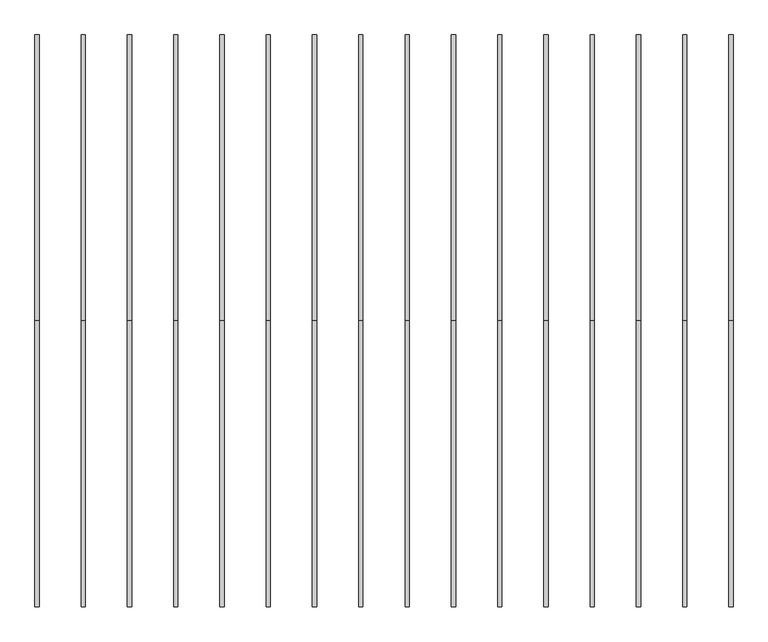
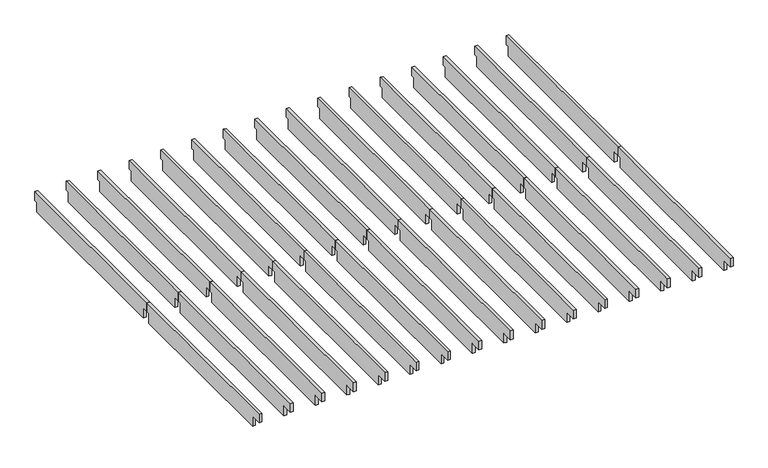
"""IFC4 building model written with IfcOpenShell, lengths in millimetres: furniture geometry."""

import ifcopenshell
import ifcopenshell.guid

model = None  # the IFC model being written
_history = None  # IfcOwnerHistory: only IFC2X3 demands one
_inside = {}  # id of a spatial element -> (the spatial element, [elements in it])
_under = {}  # id of a project, library or spatial element -> (it, [spatial elements below it])
_declared = {}  # id of a project -> (the project, [libraries it declares])
_typed = {}  # id of a type object -> (the type object, [elements of that type])
_made_of = {}  # id of a material, layer set ... -> (it, [elements and type objects made of it])


def new_model(schema):
    """Start an empty IFC model of exactly this schema.

    Asked for "IFC4X3", IfcOpenShell would pick the latest addendum, in which some entities
    have other attributes; the version numbers below select the first issue.
    IFC2X3 requires an IfcOwnerHistory on every rooted entity: one is made here for all.
    """
    global model, _history
    if schema == "IFC4X3":
        model = ifcopenshell.file(schema_version=(4, 3, 0, 0))
    else:
        model = ifcopenshell.file(schema=schema)
    _inside.clear()
    _under.clear()
    _declared.clear()
    _typed.clear()
    _made_of.clear()
    _history = None
    if model.schema == "IFC2X3":
        org = make("IfcOrganization", Name="unknown")
        user = make(
            "IfcPersonAndOrganization",
            ThePerson=make("IfcPerson", FamilyName="unknown"),
            TheOrganization=org,
        )
        app = make(
            "IfcApplication",
            ApplicationDeveloper=org,
            Version="unknown",
            ApplicationFullName="unknown",
            ApplicationIdentifier="unknown",
        )
        _history = make(
            "IfcOwnerHistory",
            OwningUser=user,
            OwningApplication=app,
            ChangeAction="ADDED",
            CreationDate=0,
        )
    return model


def make(cls, **values):
    """One entity of the class cls with the attributes given. An attribute that is None is left unset."""
    return model.create_entity(
        cls, **{name: value for name, value in values.items() if value is not None}
    )


def rooted(cls, **values):
    """An entity with a GlobalId (a new one), such as an element, a storey or a relation."""
    return make(cls, GlobalId=ifcopenshell.guid.new(), OwnerHistory=_history, **values)


def si_unit(unit_type, name, prefix=None):
    """IfcSIUnit, for example si_unit("LENGTHUNIT", "METRE", prefix="MILLI")."""
    return make("IfcSIUnit", UnitType=unit_type, Prefix=prefix, Name=name)


def assignment(units):
    """IfcUnitAssignment: the units of a project."""
    return None if units is None else make("IfcUnitAssignment", Units=units)


def point(xyz):
    """IfcCartesianPoint."""
    return None if xyz is None else make("IfcCartesianPoint", Coordinates=xyz)


def direction(xyz):
    """IfcDirection."""
    return None if xyz is None else make("IfcDirection", DirectionRatios=xyz)


def frame(location, z_axis=None, x_axis=None):
    """IfcAxis2Placement3D, a coordinate frame: its origin and axes. An axis left out is left unset."""
    return make(
        "IfcAxis2Placement3D",
        Location=point(location),
        Axis=direction(z_axis),
        RefDirection=direction(x_axis),
    )


def origin():
    """The frame at (0, 0, 0) with its axes left unset."""
    return frame((0.0, 0.0, 0.0))


def place(relative_to, where):
    """IfcLocalPlacement: puts the frame where relative to a parent placement (None: the world)."""
    return make(
        "IfcLocalPlacement", PlacementRelTo=relative_to, RelativePlacement=where
    )


def context(
    kind, dimensions, precision=None, world=None, true_north=None, identifier=None
):
    """IfcGeometricRepresentationContext, for example the 3D "Model" context."""
    return make(
        "IfcGeometricRepresentationContext",
        ContextIdentifier=identifier,
        ContextType=kind,
        CoordinateSpaceDimension=dimensions,
        Precision=precision,
        WorldCoordinateSystem=world,
        TrueNorth=true_north,
    )


def project(units=None, contexts=None):
    """IfcProject with its units and contexts."""
    return rooted(
        "IfcProject",
        Name="project",
        RepresentationContexts=contexts,
        UnitsInContext=assignment(units),
    )


def spatial(cls, under=None, at=None, **own):
    """A site, building, storey or space (cls), placed at a placement, below another one or the project."""
    s = rooted(cls, ObjectPlacement=at, **own)
    if under is not None:
        _under.setdefault(under.id(), (under, []))[1].append(s)
    return s


def polyline(points):
    """IfcPolyline through the points."""
    return make("IfcPolyline", Points=[point(p) for p in points])


def outline(outer, holes=None, kind="AREA"):
    """IfcArbitraryClosedProfileDef: a profile drawn as a closed curve; with holes, ...WithVoids."""
    if holes is None:
        return make("IfcArbitraryClosedProfileDef", ProfileType=kind, OuterCurve=outer)
    return make(
        "IfcArbitraryProfileDefWithVoids",
        ProfileType=kind,
        OuterCurve=outer,
        InnerCurves=holes,
    )


def extrude(swept, where, along, depth):
    """IfcExtrudedAreaSolid: the profile swept, set in the frame where, extruded along a direction by depth."""
    return make(
        "IfcExtrudedAreaSolid",
        SweptArea=swept,
        Position=where,
        ExtrudedDirection=direction(along),
        Depth=depth,
    )


def shape(context_of_items, identifier, shape_type, items):
    """IfcShapeRepresentation: the items that make up one representation, for example the "Body"."""
    return make(
        "IfcShapeRepresentation",
        ContextOfItems=context_of_items,
        RepresentationIdentifier=identifier,
        RepresentationType=shape_type,
        Items=items,
    )


def source(mapping_origin, context_of_items, identifier, shape_type, items):
    """IfcRepresentationMap: a shape defined once, which mapped items show again and again."""
    return make(
        "IfcRepresentationMap",
        MappingOrigin=mapping_origin,
        MappedRepresentation=shape(context_of_items, identifier, shape_type, items),
    )


def transform(
    local_origin,
    x_axis=None,
    y_axis=None,
    z_axis=None,
    scale=None,
    scale2=None,
    scale3=None,
    uniform=True,
):
    """IfcCartesianTransformationOperator3D, or its non-uniform kind. x_axis, y_axis, z_axis: its Axis1, 2, 3."""
    if uniform:
        return make(
            "IfcCartesianTransformationOperator3D",
            Axis1=direction(x_axis),
            Axis2=direction(y_axis),
            LocalOrigin=point(local_origin),
            Scale=scale,
            Axis3=direction(z_axis),
        )
    return make(
        "IfcCartesianTransformationOperator3DnonUniform",
        Axis1=direction(x_axis),
        Axis2=direction(y_axis),
        LocalOrigin=point(local_origin),
        Scale=scale,
        Axis3=direction(z_axis),
        Scale2=scale2,
        Scale3=scale3,
    )


def mapped(mapping_source, mapping_target):
    """IfcMappedItem: shows the shape of a source again, moved by a transform."""
    return make(
        "IfcMappedItem", MappingSource=mapping_source, MappingTarget=mapping_target
    )


def made_of(thing, what):
    """Note that an element or type object is made of a material, layer set ...; save() writes the relation."""
    if what is not None:
        _made_of.setdefault(what.id(), (what, []))[1].append(thing)
    return thing


def element(
    cls,
    number,
    at=None,
    inside=None,
    cuts=None,
    type_object=None,
    material=None,
    context=None,
    identifier="Body",
    shape_type=None,
    held_by="IfcProductDefinitionShape",
    body=None,
    shapes=None,
    **own,
):
    """One element of the class cls, such as IfcWall. Its Tag is "e" and its number.

    at: its placement. inside: the storey or other place that contains it. cuts: it is an
    opening in that element (IfcRelVoidsElement). A single representation is given by context,
    identifier, shape_type and body (its items); several are given by shapes. held_by: the class
    of the entity that holds the representations. save() writes the other relations.
    """
    e = rooted(cls, Tag="e%d" % number, ObjectPlacement=at, **own)
    if body is not None:
        shapes = [shape(context, identifier, shape_type, body)]
    if shapes is not None:
        e.Representation = make(held_by, Representations=shapes)
    if inside is not None:
        _inside.setdefault(inside.id(), (inside, []))[1].append(e)
    if cuts is not None:
        rooted(
            "IfcRelVoidsElement", RelatingBuildingElement=cuts, RelatedOpeningElement=e
        )
    if type_object is not None:
        _typed.setdefault(type_object.id(), (type_object, []))[1].append(e)
    return made_of(e, material)


def aggregate(whole, parts):
    """IfcRelAggregates: a whole, such as a stair, and the parts it consists of."""
    return rooted("IfcRelAggregates", RelatingObject=whole, RelatedObjects=parts)


def save(model, path):
    """Write the relations noted so far, then the file.

    IfcRelAggregates (storeys below a building ...), IfcRelContainedInSpatialStructure (elements
    in a storey), IfcRelDefinesByType, IfcRelAssociatesMaterial and IfcRelDeclares: one each for
    every whole, place, type object, material and project.
    """
    for whole, parts in _under.values():
        aggregate(whole, parts)
    for where, things in _inside.values():
        rooted(
            "IfcRelContainedInSpatialStructure",
            RelatedElements=things,
            RelatingStructure=where,
        )
    for kind, things in _typed.values():
        rooted("IfcRelDefinesByType", RelatedObjects=things, RelatingType=kind)
    for what, things in _made_of.values():
        rooted("IfcRelAssociatesMaterial", RelatedObjects=things, RelatingMaterial=what)
    for by, libraries in _declared.values():
        rooted("IfcRelDeclares", RelatingContext=by, RelatedDefinitions=libraries)
    model.write(path)


def furniture_e3db3227(model_context):
    return source(origin(), model_context, "Body", "SweptSolid", [
        extrude(outline(polyline([(-1883.6386, 2354.2752), (-1883.6386, 2265.3752), (-1916.6586, 2265.3752), (-1916.6586, 2163.7752), (-3658.4382, 2163.7752), (-3658.4382, 2265.3752), (-3767.2772, 2265.3752), (-3767.2772, 2354.2752), (-1883.6386, 2354.2752)])), frame((4558.0046, 0.0, 0.0), z_axis=(1.0, 0.0, 0.0), x_axis=(0.0, 1.0, 0.0)), (0.0, 0.0, 1.0), 27.9908),
        extrude(outline(polyline([(-1883.6386, 2354.2752), (0.0, 2354.2752), (0.0, 2265.3752), (-33.02, 2265.3752), (-33.02, 2163.7752), (-1820.5196, 2163.7752), (-1820.5196, 2265.3752), (-1883.6386, 2265.3752), (-1883.6386, 2354.2752)])), frame((4558.0046, 0.0, 0.0), z_axis=(1.0, 0.0, 0.0), x_axis=(0.0, 1.0, 0.0)), (0.0, 0.0, 1.0), 27.9908),
        extrude(outline(polyline([(-1883.6386, 2354.2752), (-1883.6386, 2265.3752), (-1916.6586, 2265.3752), (-1916.6586, 2163.7752), (-3658.4382, 2163.7752), (-3658.4382, 2265.3752), (-3767.2772, 2265.3752), (-3767.2772, 2354.2752), (-1883.6386, 2354.2752)])), frame((4253.2046, 0.0, 0.0), z_axis=(1.0, 0.0, 0.0), x_axis=(0.0, 1.0, 0.0)), (0.0, 0.0, 1.0), 27.9908),
        extrude(outline(polyline([(-1883.6386, 2354.2752), (0.0, 2354.2752), (0.0, 2265.3752), (-33.02, 2265.3752), (-33.02, 2163.7752), (-1820.5196, 2163.7752), (-1820.5196, 2265.3752), (-1883.6386, 2265.3752), (-1883.6386, 2354.2752)])), frame((4253.2046, 0.0, 0.0), z_axis=(1.0, 0.0, 0.0), x_axis=(0.0, 1.0, 0.0)), (0.0, 0.0, 1.0), 27.9908),
        extrude(outline(polyline([(-1883.6386, 2354.2752), (-1883.6386, 2265.3752), (-1916.6586, 2265.3752), (-1916.6586, 2163.7752), (-3658.4382, 2163.7752), (-3658.4382, 2265.3752), (-3767.2772, 2265.3752), (-3767.2772, 2354.2752), (-1883.6386, 2354.2752)])), frame((3948.4046, 0.0, 0.0), z_axis=(1.0, 0.0, 0.0), x_axis=(0.0, 1.0, 0.0)), (0.0, 0.0, 1.0), 27.9908),
        extrude(outline(polyline([(-1883.6386, 2354.2752), (0.0, 2354.2752), (0.0, 2265.3752), (-33.02, 2265.3752), (-33.02, 2163.7752), (-1820.5196, 2163.7752), (-1820.5196, 2265.3752), (-1883.6386, 2265.3752), (-1883.6386, 2354.2752)])), frame((3948.4046, 0.0, 0.0), z_axis=(1.0, 0.0, 0.0), x_axis=(0.0, 1.0, 0.0)), (0.0, 0.0, 1.0), 27.9908),
        extrude(outline(polyline([(-1883.6386, 2354.2752), (-1883.6386, 2265.3752), (-1916.6586, 2265.3752), (-1916.6586, 2163.7752), (-3658.4382, 2163.7752), (-3658.4382, 2265.3752), (-3767.2772, 2265.3752), (-3767.2772, 2354.2752), (-1883.6386, 2354.2752)])), frame((3643.6046, 0.0, 0.0), z_axis=(1.0, 0.0, 0.0), x_axis=(0.0, 1.0, 0.0)), (0.0, 0.0, 1.0), 27.9908),
        extrude(outline(polyline([(-1883.6386, 2354.2752), (0.0, 2354.2752), (0.0, 2265.3752), (-33.02, 2265.3752), (-33.02, 2163.7752), (-1820.5196, 2163.7752), (-1820.5196, 2265.3752), (-1883.6386, 2265.3752), (-1883.6386, 2354.2752)])), frame((3643.6046, 0.0, 0.0), z_axis=(1.0, 0.0, 0.0), x_axis=(0.0, 1.0, 0.0)), (0.0, 0.0, 1.0), 27.9908),
        extrude(outline(polyline([(-1883.6386, 2354.2752), (-1883.6386, 2265.3752), (-1916.6586, 2265.3752), (-1916.6586, 2163.7752), (-3658.4382, 2163.7752), (-3658.4382, 2265.3752), (-3767.2772, 2265.3752), (-3767.2772, 2354.2752), (-1883.6386, 2354.2752)])), frame((3338.8046, 0.0, 0.0), z_axis=(1.0, 0.0, 0.0), x_axis=(0.0, 1.0, 0.0)), (0.0, 0.0, 1.0), 27.9908),
        extrude(outline(polyline([(-1883.6386, 2354.2752), (0.0, 2354.2752), (0.0, 2265.3752), (-33.02, 2265.3752), (-33.02, 2163.7752), (-1820.5196, 2163.7752), (-1820.5196, 2265.3752), (-1883.6386, 2265.3752), (-1883.6386, 2354.2752)])), frame((3338.8046, 0.0, 0.0), z_axis=(1.0, 0.0, 0.0), x_axis=(0.0, 1.0, 0.0)), (0.0, 0.0, 1.0), 27.9908),
        extrude(outline(polyline([(-1883.6386, 2354.2752), (-1883.6386, 2265.3752), (-1916.6586, 2265.3752), (-1916.6586, 2163.7752), (-3658.4382, 2163.7752), (-3658.4382, 2265.3752), (-3767.2772, 2265.3752), (-3767.2772, 2354.2752), (-1883.6386, 2354.2752)])), frame((3034.0046, 0.0, 0.0), z_axis=(1.0, 0.0, 0.0), x_axis=(0.0, 1.0, 0.0)), (0.0, 0.0, 1.0), 27.9908),
        extrude(outline(polyline([(-1883.6386, 2354.2752), (0.0, 2354.2752), (0.0, 2265.3752), (-33.02, 2265.3752), (-33.02, 2163.7752), (-1820.5196, 2163.7752), (-1820.5196, 2265.3752), (-1883.6386, 2265.3752), (-1883.6386, 2354.2752)])), frame((3034.0046, 0.0, 0.0), z_axis=(1.0, 0.0, 0.0), x_axis=(0.0, 1.0, 0.0)), (0.0, 0.0, 1.0), 27.9908),
        extrude(outline(polyline([(-1883.6386, 2354.2752), (-1883.6386, 2265.3752), (-1916.6586, 2265.3752), (-1916.6586, 2163.7752), (-3658.4382, 2163.7752), (-3658.4382, 2265.3752), (-3767.2772, 2265.3752), (-3767.2772, 2354.2752), (-1883.6386, 2354.2752)])), frame((2729.2046, 0.0, 0.0), z_axis=(1.0, 0.0, 0.0), x_axis=(0.0, 1.0, 0.0)), (0.0, 0.0, 1.0), 27.9908),
        extrude(outline(polyline([(-1883.6386, 2354.2752), (0.0, 2354.2752), (0.0, 2265.3752), (-33.02, 2265.3752), (-33.02, 2163.7752), (-1820.5196, 2163.7752), (-1820.5196, 2265.3752), (-1883.6386, 2265.3752), (-1883.6386, 2354.2752)])), frame((2729.2046, 0.0, 0.0), z_axis=(1.0, 0.0, 0.0), x_axis=(0.0, 1.0, 0.0)), (0.0, 0.0, 1.0), 27.9908),
        extrude(outline(polyline([(-1883.6386, 2354.2752), (-1883.6386, 2265.3752), (-1916.6586, 2265.3752), (-1916.6586, 2163.7752), (-3658.4382, 2163.7752), (-3658.4382, 2265.3752), (-3767.2772, 2265.3752), (-3767.2772, 2354.2752), (-1883.6386, 2354.2752)])), frame((2424.4046, 0.0, 0.0), z_axis=(1.0, 0.0, 0.0), x_axis=(0.0, 1.0, 0.0)), (0.0, 0.0, 1.0), 27.9908),
        extrude(outline(polyline([(-1883.6386, 2354.2752), (0.0, 2354.2752), (0.0, 2265.3752), (-33.02, 2265.3752), (-33.02, 2163.7752), (-1820.5196, 2163.7752), (-1820.5196, 2265.3752), (-1883.6386, 2265.3752), (-1883.6386, 2354.2752)])), frame((2424.4046, 0.0, 0.0), z_axis=(1.0, 0.0, 0.0), x_axis=(0.0, 1.0, 0.0)), (0.0, 0.0, 1.0), 27.9908),
        extrude(outline(polyline([(-1883.6386, 2354.2752), (-1883.6386, 2265.3752), (-1916.6586, 2265.3752), (-1916.6586, 2163.7752), (-3658.4382, 2163.7752), (-3658.4382, 2265.3752), (-3767.2772, 2265.3752), (-3767.2772, 2354.2752), (-1883.6386, 2354.2752)])), frame((2119.6046, 0.0, 0.0), z_axis=(1.0, 0.0, 0.0), x_axis=(0.0, 1.0, 0.0)), (0.0, 0.0, 1.0), 27.9908),
        extrude(outline(polyline([(-1883.6386, 2354.2752), (0.0, 2354.2752), (0.0, 2265.3752), (-33.02, 2265.3752), (-33.02, 2163.7752), (-1820.5196, 2163.7752), (-1820.5196, 2265.3752), (-1883.6386, 2265.3752), (-1883.6386, 2354.2752)])), frame((2119.6046, 0.0, 0.0), z_axis=(1.0, 0.0, 0.0), x_axis=(0.0, 1.0, 0.0)), (0.0, 0.0, 1.0), 27.9908),
        extrude(outline(polyline([(-1883.6386, 2354.2752), (-1883.6386, 2265.3752), (-1916.6586, 2265.3752), (-1916.6586, 2163.7752), (-3658.4382, 2163.7752), (-3658.4382, 2265.3752), (-3767.2772, 2265.3752), (-3767.2772, 2354.2752), (-1883.6386, 2354.2752)])), frame((1814.8046, 0.0, 0.0), z_axis=(1.0, 0.0, 0.0), x_axis=(0.0, 1.0, 0.0)), (0.0, 0.0, 1.0), 27.9908),
        extrude(outline(polyline([(-1883.6386, 2354.2752), (0.0, 2354.2752), (0.0, 2265.3752), (-33.02, 2265.3752), (-33.02, 2163.7752), (-1820.5196, 2163.7752), (-1820.5196, 2265.3752), (-1883.6386, 2265.3752), (-1883.6386, 2354.2752)])), frame((1814.8046, 0.0, 0.0), z_axis=(1.0, 0.0, 0.0), x_axis=(0.0, 1.0, 0.0)), (0.0, 0.0, 1.0), 27.9908),
        extrude(outline(polyline([(-1883.6386, 2354.2752), (-1883.6386, 2265.3752), (-1916.6586, 2265.3752), (-1916.6586, 2163.7752), (-3658.4382, 2163.7752), (-3658.4382, 2265.3752), (-3767.2772, 2265.3752), (-3767.2772, 2354.2752), (-1883.6386, 2354.2752)])), frame((1510.0046, 0.0, 0.0), z_axis=(1.0, 0.0, 0.0), x_axis=(0.0, 1.0, 0.0)), (0.0, 0.0, 1.0), 27.9908),
        extrude(outline(polyline([(-1883.6386, 2354.2752), (0.0, 2354.2752), (0.0, 2265.3752), (-33.02, 2265.3752), (-33.02, 2163.7752), (-1820.5196, 2163.7752), (-1820.5196, 2265.3752), (-1883.6386, 2265.3752), (-1883.6386, 2354.2752)])), frame((1510.0046, 0.0, 0.0), z_axis=(1.0, 0.0, 0.0), x_axis=(0.0, 1.0, 0.0)), (0.0, 0.0, 1.0), 27.9908),
        extrude(outline(polyline([(-1883.6386, 2354.2752), (-1883.6386, 2265.3752), (-1916.6586, 2265.3752), (-1916.6586, 2163.7752), (-3658.4382, 2163.7752), (-3658.4382, 2265.3752), (-3767.2772, 2265.3752), (-3767.2772, 2354.2752), (-1883.6386, 2354.2752)])), frame((1205.2046, 0.0, 0.0), z_axis=(1.0, 0.0, 0.0), x_axis=(0.0, 1.0, 0.0)), (0.0, 0.0, 1.0), 27.9908),
        extrude(outline(polyline([(-1883.6386, 2354.2752), (0.0, 2354.2752), (0.0, 2265.3752), (-33.02, 2265.3752), (-33.02, 2163.7752), (-1820.5196, 2163.7752), (-1820.5196, 2265.3752), (-1883.6386, 2265.3752), (-1883.6386, 2354.2752)])), frame((1205.2046, 0.0, 0.0), z_axis=(1.0, 0.0, 0.0), x_axis=(0.0, 1.0, 0.0)), (0.0, 0.0, 1.0), 27.9908),
        extrude(outline(polyline([(-1883.6386, 2354.2752), (-1883.6386, 2265.3752), (-1916.6586, 2265.3752), (-1916.6586, 2163.7752), (-3658.4382, 2163.7752), (-3658.4382, 2265.3752), (-3767.2772, 2265.3752), (-3767.2772, 2354.2752), (-1883.6386, 2354.2752)])), frame((900.4046, 0.0, 0.0), z_axis=(1.0, 0.0, 0.0), x_axis=(0.0, 1.0, 0.0)), (0.0, 0.0, 1.0), 27.9908),
        extrude(outline(polyline([(-1883.6386, 2354.2752), (0.0, 2354.2752), (0.0, 2265.3752), (-33.02, 2265.3752), (-33.02, 2163.7752), (-1820.5196, 2163.7752), (-1820.5196, 2265.3752), (-1883.6386, 2265.3752), (-1883.6386, 2354.2752)])), frame((900.4046, 0.0, 0.0), z_axis=(1.0, 0.0, 0.0), x_axis=(0.0, 1.0, 0.0)), (0.0, 0.0, 1.0), 27.9908),
        extrude(outline(polyline([(-1883.6386, 2354.2752), (-1883.6386, 2265.3752), (-1916.6586, 2265.3752), (-1916.6586, 2163.7752), (-3658.4382, 2163.7752), (-3658.4382, 2265.3752), (-3767.2772, 2265.3752), (-3767.2772, 2354.2752), (-1883.6386, 2354.2752)])), frame((595.6046, 0.0, 0.0), z_axis=(1.0, 0.0, 0.0), x_axis=(0.0, 1.0, 0.0)), (0.0, 0.0, 1.0), 27.9908),
        extrude(outline(polyline([(-1883.6386, 2354.2752), (0.0, 2354.2752), (0.0, 2265.3752), (-33.02, 2265.3752), (-33.02, 2163.7752), (-1820.5196, 2163.7752), (-1820.5196, 2265.3752), (-1883.6386, 2265.3752), (-1883.6386, 2354.2752)])), frame((595.6046, 0.0, 0.0), z_axis=(1.0, 0.0, 0.0), x_axis=(0.0, 1.0, 0.0)), (0.0, 0.0, 1.0), 27.9908),
        extrude(outline(polyline([(-1883.6386, 2354.2752), (-1883.6386, 2265.3752), (-1916.6586, 2265.3752), (-1916.6586, 2163.7752), (-3658.4382, 2163.7752), (-3658.4382, 2265.3752), (-3767.2772, 2265.3752), (-3767.2772, 2354.2752), (-1883.6386, 2354.2752)])), frame((290.8046, 0.0, 0.0), z_axis=(1.0, 0.0, 0.0), x_axis=(0.0, 1.0, 0.0)), (0.0, 0.0, 1.0), 27.9908),
        extrude(outline(polyline([(-1883.6386, 2354.2752), (0.0, 2354.2752), (0.0, 2265.3752), (-33.02, 2265.3752), (-33.02, 2163.7752), (-1820.5196, 2163.7752), (-1820.5196, 2265.3752), (-1883.6386, 2265.3752), (-1883.6386, 2354.2752)])), frame((290.8046, 0.0, 0.0), z_axis=(1.0, 0.0, 0.0), x_axis=(0.0, 1.0, 0.0)), (0.0, 0.0, 1.0), 27.9908),
        extrude(outline(polyline([(-1883.6386, 2354.2752), (-1883.6386, 2265.3752), (-1916.6586, 2265.3752), (-1916.6586, 2163.7752), (-3658.4382, 2163.7752), (-3658.4382, 2265.3752), (-3767.2772, 2265.3752), (-3767.2772, 2354.2752), (-1883.6386, 2354.2752)])), frame((-13.9954, 0.0, 0.0), z_axis=(1.0, 0.0, 0.0), x_axis=(0.0, 1.0, 0.0)), (0.0, 0.0, 1.0), 27.9908),
        extrude(outline(polyline([(-1883.6386, 2354.2752), (0.0, 2354.2752), (0.0, 2265.3752), (-33.02, 2265.3752), (-33.02, 2163.7752), (-1820.5196, 2163.7752), (-1820.5196, 2265.3752), (-1883.6386, 2265.3752), (-1883.6386, 2354.2752)])), frame((-13.9954, 0.0, 0.0), z_axis=(1.0, 0.0, 0.0), x_axis=(0.0, 1.0, 0.0)), (0.0, 0.0, 1.0), 27.9908),
    ])


if __name__ == "__main__":
    model = new_model("IFC4")
    model_context = context("Model", 3, world=origin())
    ifc_project = project(units=[si_unit("LENGTHUNIT", "METRE", prefix="MILLI")], contexts=[model_context])
    site = spatial("IfcSite", under=ifc_project)
    building = spatial("IfcBuilding", under=site)
    placement = place(None, origin())
    furniture_shape = furniture_e3db3227(model_context)
    element("IfcFurniture", 1, at=placement, inside=building, context=model_context, shape_type="MappedRepresentation", body=[
        mapped(furniture_shape, transform((0.0, 0.0, 0.0), x_axis=(1.0, 0.0, 0.0), y_axis=(0.0, 1.0, 0.0), z_axis=(0.0, 0.0, 1.0))),
    ])
    save(model, "model.ifc")
